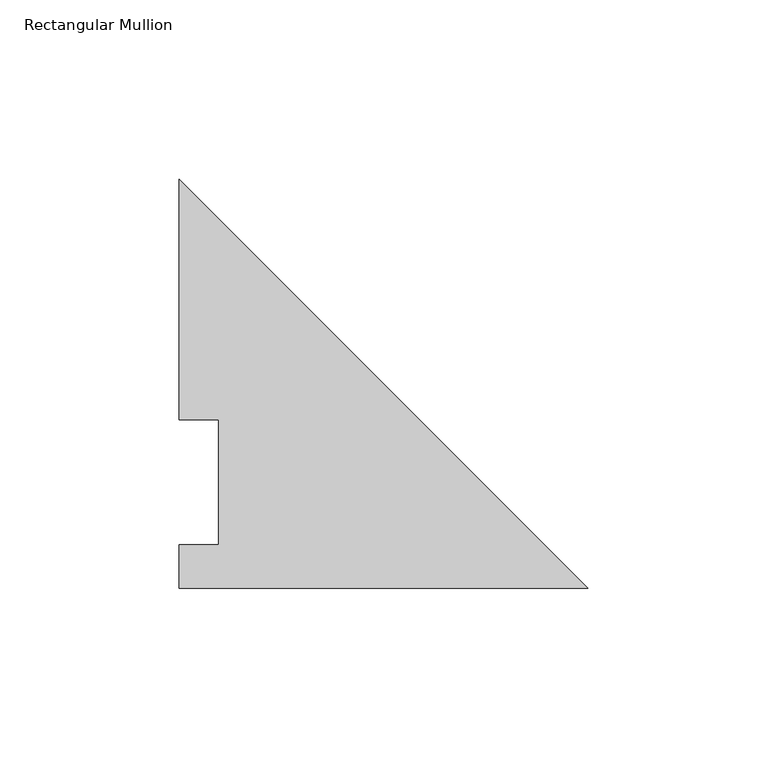
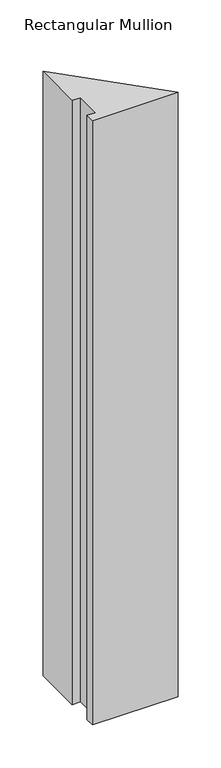
"""IFC4 building model written with IfcOpenShell, lengths in millimetres: member geometry, Rectangular Mullion."""

from ifc_helpers import new_model, si_unit, frame, origin, place, context, project, spatial, polyline, outline, extrude, source, transform, mapped, element, save


def rectangular_mullion_50a18a88(model_context):
    return source(origin(), model_context, "Body", "SweptSolid", [
        extrude(outline(polyline([(-114.3, -0.047625), (-114.3, 12.144375), (-103.1875, 12.144375), (-103.1875, 47.069375), (-114.3, 47.069375), (-114.3, 114.252375), (0.0, -0.047625), (-114.3, -0.047625)])), frame((0.0, 0.0, -854.0748985), z_axis=(0.0, 0.0, 1.0), x_axis=(1.0, 0.0, 0.0)), (0.0, 0.0, 1.0), 854.0748985),
    ])


if __name__ == "__main__":
    model = new_model("IFC4")
    model_context = context("Model", 3, world=origin())
    ifc_project = project(units=[si_unit("LENGTHUNIT", "METRE", prefix="MILLI")], contexts=[model_context])
    site = spatial("IfcSite", under=ifc_project)
    building = spatial("IfcBuilding", under=site)
    placement = place(None, origin())
    rectangular_mullion_shape = rectangular_mullion_50a18a88(model_context)
    element("IfcMember", 1, ObjectType="Rectangular Mullion", at=placement, inside=building, context=model_context, shape_type="MappedRepresentation", body=[
        mapped(rectangular_mullion_shape, transform((0.0, 0.0, 0.0), x_axis=(1.0, 0.0, 0.0), y_axis=(0.0, 1.0, 0.0), z_axis=(0.0, 0.0, 1.0))),
    ])
    save(model, "model.ifc")
